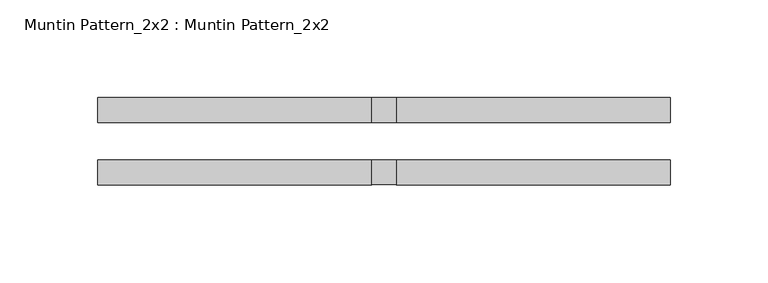
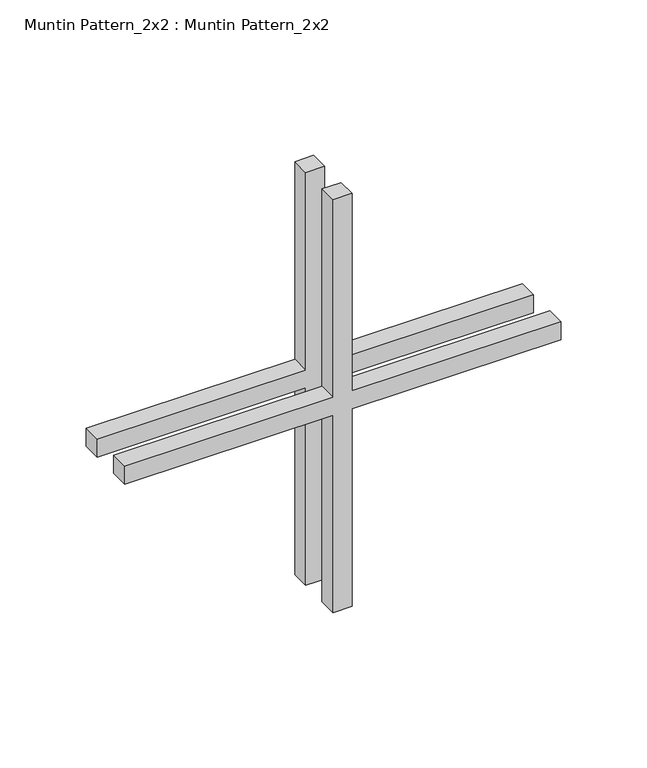
"""IFC4 building model written with IfcOpenShell, lengths in millimetres: proxy geometry, Muntin Pattern_2x2 : Muntin Pattern_2x2."""

from ifc_helpers import new_model, si_unit, frame, origin, place, context, project, spatial, polyline, outline, extrude, source, transform, mapped, element, save


def muntin_pattern_2x2_muntin_pattern_2x2_44c02c2f(model_context):
    return source(origin(), model_context, "Body", "SweptSolid", [
        extrude(outline(polyline([(152.4, -6.35), (152.4, -146.05), (139.7, -146.05), (139.7, -6.35), (0.0, -6.35), (0.0, 6.35), (139.7, 6.35), (139.7, 146.05), (152.4, 146.05), (152.4, 6.35), (292.1, 6.35), (292.1, -6.35), (152.4, -6.35)])), frame((0.0, -22.225, 0.0), z_axis=(0.0, 1.0, 0.0), x_axis=(0.0, 0.0, 1.0)), (0.0, 0.0, 1.0), 12.7),
        extrude(outline(polyline([(152.4, -6.35), (152.4, -146.05), (139.7, -146.05), (139.7, -6.35), (0.0, -6.35), (0.0, 6.35), (139.7, 6.35), (139.7, 146.05), (152.4, 146.05), (152.4, 6.35), (292.1, 6.35), (292.1, -6.35), (152.4, -6.35)])), frame((0.0, 9.525, 0.0), z_axis=(0.0, 1.0, 0.0), x_axis=(0.0, 0.0, 1.0)), (0.0, 0.0, 1.0), 12.7),
    ])


if __name__ == "__main__":
    model = new_model("IFC4")
    model_context = context("Model", 3, world=origin())
    ifc_project = project(units=[si_unit("LENGTHUNIT", "METRE", prefix="MILLI")], contexts=[model_context])
    site = spatial("IfcSite", under=ifc_project)
    building = spatial("IfcBuilding", under=site)
    placement = place(None, origin())
    muntin_pattern_2x2_muntin_pattern_2x2_shape = muntin_pattern_2x2_muntin_pattern_2x2_44c02c2f(model_context)
    element("IfcBuildingElementProxy", 1, Name="Muntin Pattern_2x2 : Muntin Pattern_2x2", ObjectType="Muntin Pattern_2x2 : Muntin Pattern_2x2", at=placement, inside=building, context=model_context, shape_type="MappedRepresentation", body=[
        mapped(muntin_pattern_2x2_muntin_pattern_2x2_shape, transform((0.0, 0.0, 0.0), x_axis=(1.0, 0.0, 0.0), y_axis=(0.0, 1.0, 0.0), z_axis=(0.0, 0.0, 1.0))),
    ])
    save(model, "model.ifc")
